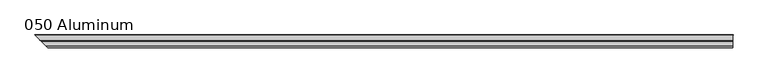
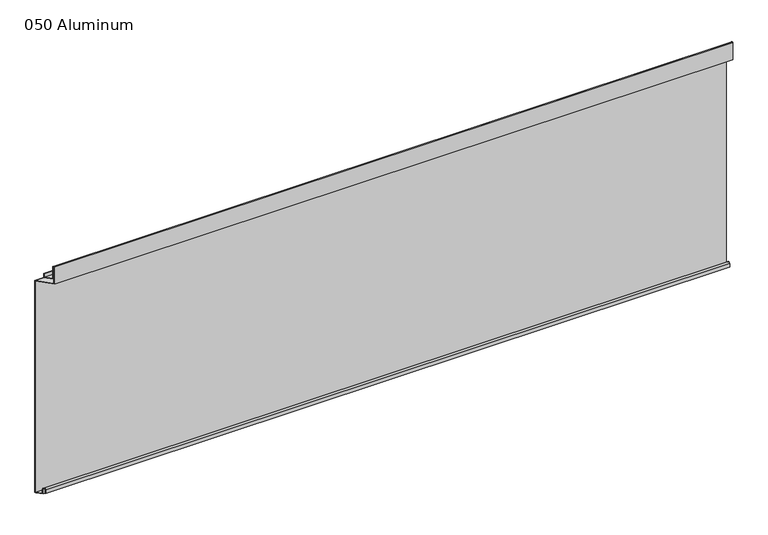
"""IFC4 building model written with IfcOpenShell, lengths in millimetres: plate geometry, 050 Aluminum."""

from ifc_helpers import new_model, si_unit, frame, origin, origin_with_axes, place, context, project, spatial, polyline, circle_curve, ellipse_curve, outline, extrude, source, transform, mapped, element, save
from ifc_brep_helpers import plane_surface, cylinder_surface, revolved_surface, advanced_brep


def plate_050_aluminum_d5f0a4a3(model_context):
    return source(origin(), model_context, "Body", "SolidModel", [
        advanced_brep(
        [(919.4800002, 16.6765477, 13.1458337), (919.4800002, 16.6765477, 2.786437), (919.4800002, 17.9464915, 2.786437), (919.4800002, 17.9464915, 13.1323356), (919.4800002, 21.7564743, 13.124237), (919.4800002, 21.7564743, 0.0), (919.4800002, 34.7980002, 0.0), (919.4800002, 34.7980002, 1.2693678), (919.4800002, 23.0264743, 1.2693678), (919.4800002, 23.0264743, 13.124237), (-937.4265479, 16.6765477, 13.1458337), (-937.4265479, 16.6765477, 2.786437), (-938.6964916, 17.9464915, 2.786437), (-938.6964916, 17.9464915, 13.1323356), (-942.5064744, 21.7564743, 13.124237), (-942.5064744, 21.7564743, 0.0), (-955.5480002, 34.798, 0.0), (-955.5480003, 34.7980002, 1.2693678), (-943.7764744, 23.0264743, 1.2693678), (-943.7764744, 23.0264743, 13.124237)],
        [
            (0, 1),
            (1, 2),
            (2, 3),
            (3, 4, circle_curve(frame((919.4800002, 19.8514743, 13.124237), z_axis=(-1.0, 0.0, 0.0), x_axis=(0.0, 0.0, -1.0)), 1.905)),
            (4, 5),
            (5, 6),
            (6, 7),
            (7, 8),
            (8, 9),
            (9, 0, circle_curve(frame((919.4800002, 19.8514743, 13.124237), z_axis=(1.0, 0.0, 0.0), x_axis=(0.0, 0.0, -1.0)), 3.175)),
            (0, 10),
            (10, 11),
            (11, 1),
            (11, 12),
            (12, 2),
            (12, 13),
            (13, 3),
            (13, 14, ellipse_curve(frame((-940.6014744, 19.8514743, 13.124237), z_axis=(-0.7071067811865466, -0.7071067811865485, 0.0), x_axis=(0.7071067811865485, -0.7071067811865466, 0.0)), 2.6940768, 1.905)),
            (14, 4),
            (14, 15),
            (15, 5),
            (15, 16),
            (16, 6),
            (16, 17),
            (17, 7),
            (17, 18),
            (18, 8),
            (18, 19),
            (19, 9),
            (19, 10, ellipse_curve(frame((-940.6014744, 19.8514743, 13.124237), z_axis=(0.7071067811865466, 0.7071067811865485, 0.0), x_axis=(-0.7071067811865485, 0.7071067811865466, 0.0)), 4.4901281, 3.175)),
        ],
        [
            plane_surface(frame((919.4800002, 36.068, 0.0), z_axis=(1.0, 0.0, 0.0), x_axis=(0.0, 0.0, 1.0))),
            plane_surface(frame((-955.5480002, 16.6765477, 13.1458337), z_axis=(0.0, -1.0, 0.0), x_axis=(1.0, 0.0, 0.0))),
            plane_surface(frame((-955.5480002, 16.6765477, 2.786437), z_axis=(0.0, 0.0, -1.0), x_axis=(1.0, 0.0, 0.0))),
            plane_surface(frame((-955.5480002, 17.9464915, 2.786437), z_axis=(0.0, 1.0, 0.0), x_axis=(1.0, 0.0, 0.0))),
            revolved_surface(polyline([(919.4800002000001, 19.8514743, 11.219237000000001), (-942.5064744, 19.8514743, 11.219237000000001)]), (-955.5480002, 19.8514743, 13.124237), (1.0, 0.0, 0.0)),
            plane_surface(frame((-955.5480002, 21.7564743, 13.124237), z_axis=(0.0, -1.0, 0.0), x_axis=(1.0, 0.0, 0.0))),
            plane_surface(frame((-955.5480002, 21.7564743, 0.0), z_axis=(0.0, 0.0, -1.0), x_axis=(1.0, 0.0, 0.0))),
            plane_surface(frame((-955.5480002, 34.7980002, 0.0), z_axis=(0.0, 1.0, 0.0), x_axis=(1.0, 0.0, 0.0))),
            plane_surface(frame((-955.5480002, 34.7980002, 1.2693678), z_axis=(0.0, 0.0, 1.0), x_axis=(1.0, 0.0, 0.0))),
            plane_surface(frame((-955.5480002, 23.0264743, 1.2693678), z_axis=(0.0, 1.0, 0.0), x_axis=(1.0, 0.0, 0.0))),
            cylinder_surface(frame((-955.5480002, 19.8514743, 13.124237), z_axis=(-1.0, 0.0, 0.0), x_axis=(0.0, 0.0, -1.0)), 3.175),
            plane_surface(frame((-956.8180002, 36.068, 795.4549971), z_axis=(-0.7071067811865466, -0.7071067811865485, 0.0), x_axis=(0.0, 0.0, -1.0))),
        ],
        [
            (0, [[1, 2, 3, 4, 5, 6, 7, 8, 9, 10]]),
            (1, [[11, 12, 13, -1]]),
            (2, [[-13, 14, 15, -2]]),
            (3, [[-15, 16, 17, -3]]),
            (4, [[-17, 18, 19, -4]]),
            (5, [[-19, 20, 21, -5]]),
            (6, [[-21, 22, 23, -6]]),
            (7, [[-23, 24, 25, -7]]),
            (8, [[-25, 26, 27, -8]]),
            (9, [[-27, 28, 29, -9]]),
            (10, [[-29, 30, -11, -10]]),
            (11, [[-30, -28, -26, -24, -22, -20, -18, -16, -14, -12]]),
        ],
    ),
        advanced_brep(
        [(919.4800002, 2.0574743, 656.7932001), (919.4800002, 2.0574743, 608.33), (919.4800002, 34.7980002, 608.33), (919.4800002, 34.7980002, 609.6000001), (919.4800002, 3.3274743, 609.6000001), (919.4800002, 3.3274743, 656.7932001), (919.4800002, 4.0894742, 656.7932001), (919.4800002, 4.0894742, 622.3), (919.4800002, 20.4864742, 622.3), (919.4800002, 20.4864742, 633.6538), (919.4800002, 19.2164743, 633.6538), (919.4800002, 19.2164743, 623.57), (919.4800002, 5.3594742, 623.57), (919.4800002, 5.3594742, 656.7932001), (-922.8074744, 2.0574743, 656.7932001), (-922.8074744, 2.0574743, 608.33), (-955.5480002, 34.798, 608.33), (-955.5480003, 34.7980002, 609.6000001), (-924.0774744, 3.3274743, 609.6000001), (-924.0774744, 3.3274743, 656.7932001), (-924.8394743, 4.0894742, 656.7932001), (-924.8394743, 4.0894742, 622.3), (-941.2364744, 20.4864742, 622.3), (-941.2364744, 20.4864742, 633.6538), (-939.9664745, 19.2164743, 633.6538), (-939.9664745, 19.2164743, 623.57), (-926.1094743, 5.3594742, 623.57), (-926.1094743, 5.3594742, 656.7932001)],
        [
            (0, 1),
            (1, 2),
            (2, 3),
            (3, 4),
            (4, 5),
            (5, 6, circle_curve(frame((919.4800002, 3.7084742, 656.7932001), z_axis=(-1.0, 0.0, 0.0), x_axis=(0.0, 0.0, -1.0)), 0.3809999)),
            (6, 7),
            (7, 8),
            (8, 9),
            (9, 10),
            (10, 11),
            (11, 12),
            (12, 13),
            (13, 0, circle_curve(frame((919.4800002, 3.7084742, 656.7932001), z_axis=(1.0, 0.0, 0.0), x_axis=(0.0, 0.0, -1.0)), 1.6509999)),
            (0, 14),
            (14, 15),
            (15, 1),
            (15, 16),
            (16, 2),
            (16, 17),
            (17, 3),
            (17, 18),
            (18, 4),
            (18, 19),
            (19, 5),
            (19, 20, ellipse_curve(frame((-924.4584744, 3.7084742, 656.7932001), z_axis=(-0.7071067811865466, -0.7071067811865485, 0.0), x_axis=(0.7071067811865485, -0.7071067811865466, 0.0)), 0.5388153, 0.3809999)),
            (20, 6),
            (20, 21),
            (21, 7),
            (21, 22),
            (22, 8),
            (22, 23),
            (23, 9),
            (23, 24),
            (24, 10),
            (24, 25),
            (25, 11),
            (25, 26),
            (26, 12),
            (26, 27),
            (27, 13),
            (27, 14, ellipse_curve(frame((-924.4584744, 3.7084742, 656.7932001), z_axis=(0.7071067811865466, 0.7071067811865485, 0.0), x_axis=(-0.7071067811865485, 0.7071067811865466, 0.0)), 2.3348665, 1.6509999)),
        ],
        [
            plane_surface(frame((919.4800002, 36.068, 609.6), z_axis=(1.0, 0.0, 0.0), x_axis=(0.0, 0.0, 1.0))),
            plane_surface(frame((-955.5480002, 2.0574743, 656.7932001), z_axis=(0.0, -1.0, 0.0), x_axis=(1.0, 0.0, 0.0))),
            plane_surface(frame((-955.5480002, 2.0574743, 608.33), z_axis=(0.0, 0.0, -1.0), x_axis=(1.0, 0.0, 0.0))),
            plane_surface(frame((-955.5480002, 34.7980002, 608.33), z_axis=(0.0, 1.0, 0.0), x_axis=(1.0, 0.0, 0.0))),
            plane_surface(frame((-955.5480002, 34.7980002, 609.6000001), z_axis=(0.0, 0.0, 1.0), x_axis=(1.0, 0.0, 0.0))),
            plane_surface(frame((-955.5480002, 3.3274743, 609.6000001), z_axis=(0.0, 1.0, 0.0), x_axis=(1.0, 0.0, 0.0))),
            revolved_surface(polyline([(919.4800002000001, 3.7084742, 656.4122002), (-924.839474352437, 3.7084742, 656.4122002)]), (-955.5480002, 3.7084742, 656.7932001), (1.0, 0.0, 0.0)),
            plane_surface(frame((-955.5480002, 4.0894742, 656.7932001), z_axis=(0.0, -1.0, 0.0), x_axis=(1.0, 0.0, 0.0))),
            plane_surface(frame((-955.5480002, 4.0894742, 622.3), z_axis=(0.0, 0.0, -1.0), x_axis=(1.0, 0.0, 0.0))),
            plane_surface(frame((-955.5480002, 20.4864742, 622.3), z_axis=(0.0, 1.0, 0.0), x_axis=(1.0, 0.0, 0.0))),
            plane_surface(frame((-955.5480002, 20.4864742, 633.6538), z_axis=(0.0, 0.0, 1.0), x_axis=(1.0, 0.0, 0.0))),
            plane_surface(frame((-955.5480002, 19.2164743, 633.6538), z_axis=(0.0, -1.0, 0.0), x_axis=(1.0, 0.0, 0.0))),
            plane_surface(frame((-955.5480002, 19.2164743, 623.57), z_axis=(0.0, 0.0, 1.0), x_axis=(1.0, 0.0, 0.0))),
            plane_surface(frame((-955.5480002, 5.3594742, 623.57), z_axis=(0.0, 1.0, 0.0), x_axis=(1.0, 0.0, 0.0))),
            cylinder_surface(frame((-955.5480002, 3.7084742, 656.7932001), z_axis=(-1.0, 0.0, 0.0), x_axis=(0.0, 0.0, -1.0)), 1.6509999),
            plane_surface(frame((-956.8180002, 36.068, 795.4549971), z_axis=(-0.7071067811865466, -0.7071067811865485, 0.0), x_axis=(0.0, 0.0, -1.0))),
        ],
        [
            (0, [[1, 2, 3, 4, 5, 6, 7, 8, 9, 10, 11, 12, 13, 14]]),
            (1, [[15, 16, 17, -1]]),
            (2, [[-17, 18, 19, -2]]),
            (3, [[-19, 20, 21, -3]]),
            (4, [[-21, 22, 23, -4]]),
            (5, [[-23, 24, 25, -5]]),
            (6, [[-25, 26, 27, -6]]),
            (7, [[-27, 28, 29, -7]]),
            (8, [[-29, 30, 31, -8]]),
            (9, [[-31, 32, 33, -9]]),
            (10, [[-33, 34, 35, -10]]),
            (11, [[-35, 36, 37, -11]]),
            (12, [[-37, 38, 39, -12]]),
            (13, [[-39, 40, 41, -13]]),
            (14, [[-41, 42, -15, -14]]),
            (15, [[-42, -40, -38, -36, -34, -32, -30, -28, -26, -24, -22, -20, -18, -16]]),
        ],
    ),
        extrude(outline(polyline([(920.7500002, 34.7980001), (-955.5480002, 34.7980001), (-956.8180002, 36.068), (920.7500002, 36.068), (920.7500002, 34.7980001)])), origin_with_axes(), (0.0, 0.0, 1.0), 609.6),
    ])


if __name__ == "__main__":
    model = new_model("IFC4")
    model_context = context("Model", 3, world=origin())
    ifc_project = project(units=[si_unit("LENGTHUNIT", "METRE", prefix="MILLI")], contexts=[model_context])
    site = spatial("IfcSite", under=ifc_project)
    building = spatial("IfcBuilding", under=site)
    placement = place(None, origin())
    plate_050_aluminum_shape = plate_050_aluminum_d5f0a4a3(model_context)
    element("IfcPlate", 1, ObjectType="050 Aluminum", at=placement, inside=building, context=model_context, shape_type="MappedRepresentation", body=[
        mapped(plate_050_aluminum_shape, transform((0.0, 0.0, 0.0), x_axis=(1.0, 0.0, 0.0), y_axis=(0.0, 1.0, 0.0), z_axis=(0.0, 0.0, 1.0))),
    ])
    save(model, "model.ifc")
